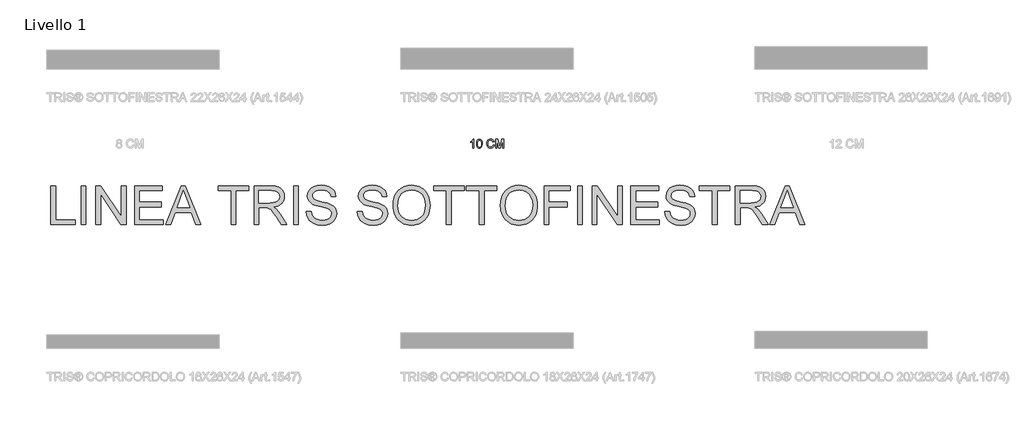
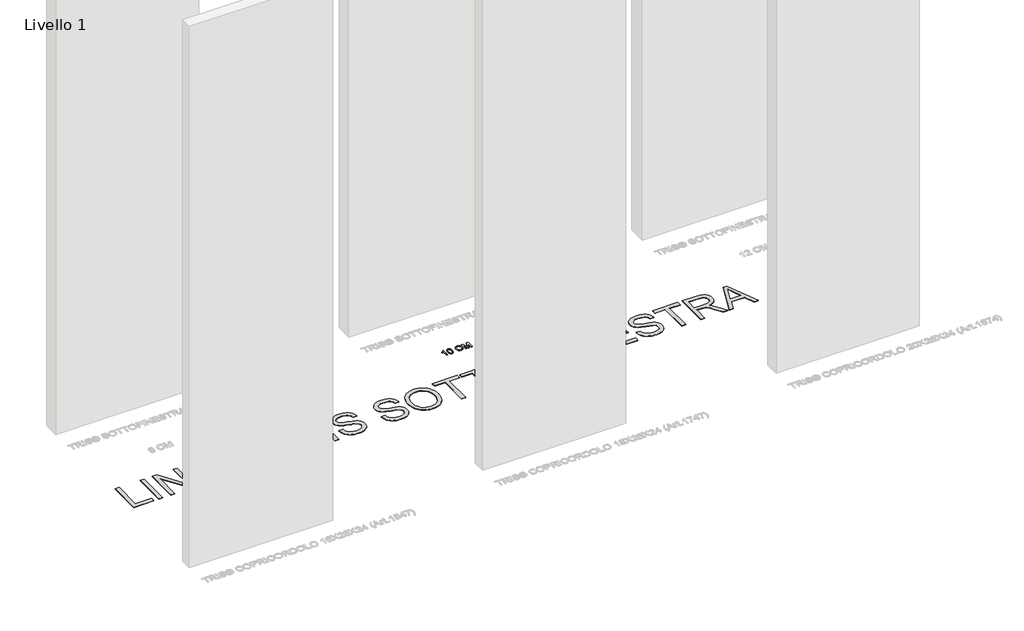
# One storey, part 6 of 16: 2 proxies.
"""IFC4 building model written with IfcOpenShell, lengths in millimetres."""

from ifc_helpers import new_model, si_unit, origin, origin_with_axes, place, context, project, spatial, polyline, outline, extrude, element, save

model = new_model("IFC4")

# Units and contexts
model_context = context("Model", 3, world=origin())
ifc_project = project(units=[si_unit("LENGTHUNIT", "METRE", prefix="MILLI")], contexts=[model_context])

# Site, building, storey
site = spatial("IfcSite", under=ifc_project)
building = spatial("IfcBuilding", under=site)
storey = spatial("IfcBuildingStorey", under=building, Name="Livello 1", Elevation=0.0)

# Proxies
placement = place(None, origin())
element("IfcBuildingElementProxy", 1, Name="100", ObjectType="100", at=placement, inside=storey, context=model_context, shape_type="SweptSolid", body=[
    extrude(outline(polyline([(-661.8210443, 920.1409688), (-674.3780831, 920.1409688), (-674.3780831, 998.4262574), (-686.2729343, 989.9527088), (-699.4921606, 983.6128757), (-699.4921606, 995.4832014), (-681.0857981, 1007.2308998), (-669.9144482, 1020.5972789), (-661.8210443, 1020.5972789), (-661.8210443, 920.1409688)])), origin_with_axes(), (0.0, 0.0, 1.0), 5.0),
    extrude(outline(polyline([(-631.9980772, 969.5597835), (-628.3069945, 998.4630456), (-617.3441111, 1015.1281), (-599.0358505, 1020.5972789), (-584.3696216, 1017.3599174), (-574.240604, 1008.0279774), (-568.3544921, 993.1655448), (-566.0736237, 969.5597835), (-569.7279182, 940.7791487), (-580.6540134, 924.0773061), (-588.8853731, 919.9478308), (-599.0358505, 918.571339), (-612.0833986, 920.9625719), (-621.991687, 928.1362708), (-629.4964797, 945.1262876), (-631.9980772, 969.5597835)]), holes=[polyline([(-619.4410385, 969.584309), (-617.9695105, 949.8321115), (-613.5549265, 938.4001785), (-606.9821016, 932.9463279), (-599.0358505, 931.1283777), (-591.0895994, 932.9524593), (-584.5167744, 938.424704), (-580.1021904, 949.8627683), (-578.6306625, 969.584309), (-580.0531395, 988.8919823), (-584.3205707, 1000.4128201), (-590.8811329, 1006.1333852), (-599.1830033, 1008.0402402), (-607.0434152, 1006.3602457), (-613.3587228, 1001.3202624), (-617.9204595, 989.0820547), (-619.4410385, 969.584309)])]), origin_with_axes(), (0.0, 0.0, 1.0), 5.0),
    extrude(outline(polyline([(-440.503236, 955.8500478), (-427.9461972, 952.6126862), (-433.7403387, 937.9801799), (-442.8331553, 927.2901422), (-454.7770574, 920.7510398), (-469.1244552, 918.571339), (-483.6895166, 920.2206766), (-495.2563396, 925.1686894), (-504.1222957, 933.2436992), (-510.5847561, 944.2740277), (-515.8454686, 971.1294133), (-514.3586122, 985.7772481), (-509.898043, 998.4262574), (-502.696753, 1008.6748366), (-492.987734, 1016.1213813), (-481.4730275, 1020.6555269), (-468.8546751, 1022.1669088), (-455.0866914, 1020.2110029), (-443.7038094, 1014.343285), (-435.0616482, 1004.925506), (-429.5158271, 992.3194163), (-442.0728659, 989.3273094), (-452.3735617, 1004.7660904), (-469.3451844, 1009.60987), (-488.990083, 1004.2387929), (-500.0878565, 989.8178187), (-503.2884299, 971.1539388), (-499.4992453, 949.5224775), (-487.702496, 935.7023772), (-470.375254, 931.1283777), (-459.8936828, 932.6857448), (-451.1595511, 937.3578462), (-444.5652664, 945.0956308), (-440.503236, 955.8500478)])), origin_with_axes(), (0.0, 0.0, 1.0), 5.0),
    extrude(outline(polyline([(-410.6802689, 920.1409688), (-410.6802689, 1020.5972789), (-389.0733331, 1020.5972789), (-368.5209923, 949.7922576), (-364.3761885, 935.0034014), (-359.8880281, 951.0185309), (-339.6790439, 1020.5972789), (-318.072108, 1020.5972789), (-318.072108, 920.1409688), (-330.6291468, 920.1409688), (-330.6291468, 1008.0402402), (-355.8658516, 920.1409688), (-372.8865253, 920.1409688), (-398.1232302, 1008.0402402), (-398.1232302, 920.1409688), (-410.6802689, 920.1409688)])), origin_with_axes(), (0.0, 0.0, 1.0), 5.0),
])
element("IfcBuildingElementProxy", 2, Name="450mm", ObjectType="450mm", at=placement, inside=storey, context=model_context, shape_type="SweptSolid", body=[
    extrude(outline(polyline([(-5561.6557455, 31.1409688), (-5561.6557455, 480.7971116), (-5505.4487277, 480.7971116), (-5505.4487277, 87.3479867), (-5280.6206563, 87.3479867), (-5280.6206563, 31.1409688), (-5561.6557455, 31.1409688)])), origin_with_axes(), (0.0, 0.0, 1.0), 5.0),
    extrude(outline(polyline([(-5210.361884, 31.1409688), (-5210.361884, 480.7971116), (-5154.1548661, 480.7971116), (-5154.1548661, 31.1409688), (-5210.361884, 31.1409688)])), origin_with_axes(), (0.0, 0.0, 1.0), 5.0),
    extrude(outline(polyline([(-5041.7408304, 31.1409688), (-5041.7408304, 480.7971116), (-4981.5817566, 480.7971116), (-4746.6539867, 124.5631801), (-4746.6539867, 480.7971116), (-4690.4469688, 480.7971116), (-4690.4469688, 31.1409688), (-4750.6060426, 31.1409688), (-4985.5338125, 387.4846796), (-4985.5338125, 31.1409688), (-5041.7408304, 31.1409688)])), origin_with_axes(), (0.0, 0.0, 1.0), 5.0),
    extrude(outline(polyline([(-4592.0846876, 31.1409688), (-4592.0846876, 480.7971116), (-4268.8943349, 480.7971116), (-4268.8943349, 424.5900938), (-4535.8776697, 424.5900938), (-4535.8776697, 291.0984264), (-4282.9460894, 291.0984264), (-4282.9460894, 234.8914085), (-4535.8776697, 234.8914085), (-4535.8776697, 87.3479867), (-4261.8684577, 87.3479867), (-4261.8684577, 31.1409688), (-4592.0846876, 31.1409688)])), origin_with_axes(), (0.0, 0.0, 1.0), 5.0),
    extrude(outline(polyline([(-4229.9226722, 31.1409688), (-4050.4334648, 480.7971116), (-4002.5696761, 480.7971116), (-3823.0804687, 31.1409688), (-3882.4710872, 31.1409688), (-3933.9575938, 171.6585134), (-4119.1553264, 171.6585134), (-4170.5320537, 31.1409688), (-4229.9226722, 31.1409688)]), holes=[polyline([(-4098.5168121, 227.8655313), (-3954.4863288, 227.8655313), (-3994.9949022, 338.4133183), (-4026.5015704, 424.5900938), (-4054.4953, 348.0738995), (-4098.5168121, 227.8655313)])]), origin_with_axes(), (0.0, 0.0, 1.0), 5.0),
    extrude(outline(polyline([(-3474.9702078, 31.1409688), (-3474.9702078, 424.5900938), (-3622.5136296, 424.5900938), (-3622.5136296, 480.7971116), (-3271.2197681, 480.7971116), (-3271.2197681, 424.5900938), (-3418.7631899, 424.5900938), (-3418.7631899, 31.1409688), (-3474.9702078, 31.1409688)])), origin_with_axes(), (0.0, 0.0, 1.0), 5.0),
    extrude(outline(polyline([(-3207.986873, 31.1409688), (-3207.986873, 480.7971116), (-3014.2263524, 480.7971116), (-2962.149782, 477.7644576), (-2924.2621901, 468.6664955), (-2896.5703537, 451.8702577), (-2875.0810495, 425.7427767), (-2861.2900209, 393.3441515), (-2856.6930114, 357.7344807), (-2858.5969967, 334.6396538), (-2864.3089525, 313.4385204), (-2873.828879, 294.1310804), (-2887.156776, 276.7173339), (-2904.4641737, 261.7530387), (-2925.9226025, 249.7939528), (-2951.5320622, 240.8400761), (-2981.2925529, 234.8914085), (-2949.3467674, 210.8497349), (-2903.7883447, 152.996027), (-2828.8090611, 31.1409688), (-2894.1277635, 31.1409688), (-2952.6401473, 124.3436214), (-2994.9051901, 186.0396059), (-3010.6173569, 204.0296939), (-3024.6004993, 215.1860185), (-3051.3317666, 225.8895033), (-3083.9362281, 227.8655313), (-3151.7798551, 227.8655313), (-3151.7798551, 31.1409688), (-3207.986873, 31.1409688)]), holes=[polyline([(-3151.7798551, 284.0725491), (-3025.9727409, 284.0725491), (-2989.8416184, 286.0622995), (-2961.8067215, 292.0315507), (-2940.701645, 302.3782527), (-2925.3599834, 317.5003557), (-2916.0150178, 335.7923368), (-2912.9000292, 355.6486734), (-2914.3854808, 370.0229047), (-2918.8418356, 383.0660615), (-2936.6672546, 405.159152), (-2950.2764611, 413.660189), (-2967.3368554, 419.7323583), (-3011.8112071, 424.5900938), (-3151.7798551, 424.5900938), (-3151.7798551, 284.0725491)])]), origin_with_axes(), (0.0, 0.0, 1.0), 5.0),
    extrude(outline(polyline([(-2751.3048529, 31.1409688), (-2751.3048529, 480.7971116), (-2695.0978351, 480.7971116), (-2695.0978351, 31.1409688), (-2751.3048529, 31.1409688)])), origin_with_axes(), (0.0, 0.0, 1.0), 5.0),
    extrude(outline(polyline([(-2603.7614311, 185.7102679), (-2547.5544132, 185.7102679), (-2541.1048775, 154.5192153), (-2529.4408235, 129.4483604), (-2511.2448992, 109.5508565), (-2485.1997528, 93.8798569), (-2453.3637466, 83.7115463), (-2417.7952431, 80.3221094), (-2386.4806887, 82.8882013), (-2359.0633006, 90.5864769), (-2336.8467083, 102.7719828), (-2321.1345415, 118.7997652), (-2311.7895759, 137.2015257), (-2308.6745873, 156.5089656), (-2311.0073981, 175.3223986), (-2318.0058305, 191.5834621), (-2332.222254, 205.4568252), (-2356.209038, 217.1071568), (-2438.0495298, 238.5690161), (-2491.7727903, 252.7717172), (-2526.1474435, 266.2882974), (-2554.1274507, 285.1977873), (-2573.9563425, 308.1142228), (-2585.7713431, 334.5435969), (-2589.7096766, 363.9919026), (-2584.8382188, 396.9119797), (-2570.2238452, 427.6090254), (-2546.2507836, 453.626727), (-2513.3032617, 472.5087721), (-2473.7552574, 483.9944347), (-2429.9807489, 487.8229888), (-2382.5560776, 483.8160432), (-2341.0594902, 471.7952064), (-2306.9730077, 452.0074819), (-2281.7786511, 424.6998731), (-2265.8332031, 391.5739597), (-2259.4934467, 354.3313214), (-2315.7004646, 354.3313214), (-2319.4604067, 372.2665198), (-2326.0197218, 387.8689073), (-2335.3784098, 401.138484), (-2347.5364708, 412.0752499), (-2362.7203246, 420.6243154), (-2381.1563911, 426.7307907), (-2427.7851623, 431.615971), (-2475.5117268, 426.7856804), (-2493.7556794, 420.7478172), (-2508.2534124, 412.2948086), (-2527.1903472, 390.9701734), (-2531.9245809, 378.8052512), (-2533.5026587, 365.6385926), (-2529.029151, 344.0395091), (-2515.6086277, 326.6669299), (-2483.8824008, 311.1331544), (-2423.8331063, 295.270041), (-2361.8626736, 280.2028277), (-2324.3730318, 267.0567527), (-2292.3311893, 246.6652418), (-2269.9773729, 221.49833), (-2256.8450203, 191.8304656), (-2252.4675695, 157.936097), (-2257.5036963, 123.2869954), (-2272.6120769, 90.6962563), (-2297.1752023, 62.647637), (-2330.575564, 41.624895), (-2370.741077, 28.4925424), (-2415.5996565, 24.1150916), (-2470.6677137, 28.8356028), (-2515.9928553, 42.9971366), (-2535.1321957, 53.6320094), (-2552.0965331, 66.6545826), (-2566.8858674, 82.0648563), (-2579.5001987, 99.8628305), (-2597.0923367, 140.3165142), (-2603.7614311, 185.7102679)])), origin_with_axes(), (0.0, 0.0, 1.0), 5.0),
    extrude(outline(polyline([(-2013.5877436, 185.7102679), (-1957.3807258, 185.7102679), (-1950.93119, 154.5192153), (-1939.267136, 129.4483604), (-1921.0712118, 109.5508565), (-1895.0260653, 93.8798569), (-1863.1900591, 83.7115463), (-1827.6215556, 80.3221094), (-1796.3070013, 82.8882013), (-1768.8896132, 90.5864769), (-1746.6730209, 102.7719828), (-1730.960854, 118.7997652), (-1721.6158884, 137.2015257), (-1718.5008999, 156.5089656), (-1720.8337107, 175.3223986), (-1727.8321431, 191.5834621), (-1742.0485665, 205.4568252), (-1766.0353505, 217.1071568), (-1847.8758423, 238.5690161), (-1901.5991028, 252.7717172), (-1935.9737561, 266.2882974), (-1963.9537632, 285.1977873), (-1983.782655, 308.1142228), (-1995.5976556, 334.5435969), (-1999.5359891, 363.9919026), (-1994.6645313, 396.9119797), (-1980.0501578, 427.6090254), (-1956.0770962, 453.626727), (-1923.1295743, 472.5087721), (-1883.58157, 483.9944347), (-1839.8070615, 487.8229888), (-1792.3823902, 483.8160432), (-1750.8858028, 471.7952064), (-1716.7993202, 452.0074819), (-1691.6049636, 424.6998731), (-1675.6595157, 391.5739597), (-1669.3197593, 354.3313214), (-1725.5267771, 354.3313214), (-1729.2867192, 372.2665198), (-1735.8460343, 387.8689073), (-1745.2047223, 401.138484), (-1757.3627833, 412.0752499), (-1772.5466371, 420.6243154), (-1790.9827037, 426.7307907), (-1837.6114748, 431.615971), (-1885.3380393, 426.7856804), (-1903.581992, 420.7478172), (-1918.079725, 412.2948086), (-1937.0166597, 390.9701734), (-1941.7508934, 378.8052512), (-1943.3289713, 365.6385926), (-1938.8554635, 344.0395091), (-1925.4349402, 326.6669299), (-1893.7087133, 311.1331544), (-1833.6594189, 295.270041), (-1771.6889861, 280.2028277), (-1734.1993443, 267.0567527), (-1702.1575019, 246.6652418), (-1679.8036854, 221.49833), (-1666.6713329, 191.8304656), (-1662.293882, 157.936097), (-1667.3300089, 123.2869954), (-1682.4383894, 90.6962563), (-1707.0015149, 62.647637), (-1740.4018766, 41.624895), (-1780.5673896, 28.4925424), (-1825.425969, 24.1150916), (-1880.4940263, 28.8356028), (-1925.8191679, 42.9971366), (-1944.9585083, 53.6320094), (-1961.9228456, 66.6545826), (-1976.71218, 82.0648563), (-1989.3265113, 99.8628305), (-2006.9186492, 140.3165142), (-2013.5877436, 185.7102679)])), origin_with_axes(), (0.0, 0.0, 1.0), 5.0),
    extrude(outline(polyline([(-1599.060987, 250.0409563), (-1595.3147673, 302.783064), (-1584.0761082, 349.473586), (-1565.3450097, 390.1125224), (-1539.1214718, 424.6998731), (-1506.9767112, 452.3162362), (-1470.4819446, 472.0422099), (-1429.637172, 483.8777941), (-1384.4423934, 487.8229888), (-1354.1913263, 485.9704626), (-1325.4634474, 480.412884), (-1298.2587568, 471.1502528), (-1272.5772544, 458.1825693), (-1249.139367, 441.9009221), (-1228.6655217, 422.6964003), (-1211.1557182, 400.5690037), (-1196.6099568, 375.5187325), (-1185.1791839, 348.1150668), (-1177.0143461, 318.927487), (-1172.1154434, 287.955993), (-1170.4824758, 255.2005849), (-1172.2012085, 222.0129207), (-1177.3574065, 190.622893), (-1185.9510698, 161.0305019), (-1197.9821984, 133.2357473), (-1213.1660523, 107.9727786), (-1231.2178911, 85.975745), (-1252.137715, 67.2446465), (-1275.925524, 51.7794832), (-1301.644763, 39.6763118), (-1328.3588773, 31.0311895), (-1356.0678667, 25.844116), (-1384.7717314, 24.1150916), (-1415.5511115, 26.0259381), (-1444.6563569, 31.7584775), (-1472.0874674, 41.31271), (-1497.8444431, 54.6886355), (-1521.2548856, 71.3682327), (-1541.6463965, 90.8334804), (-1559.0189757, 113.0843787), (-1573.3726233, 138.1209276), (-1584.6112824, 164.93796), (-1592.638896, 192.5303089), (-1597.4554642, 220.8979743), (-1599.060987, 250.0409563)]), holes=[polyline([(-1542.8539691, 249.4920596), (-1540.0443043, 212.2288377), (-1531.61531, 179.1509528), (-1517.5669862, 150.2584049), (-1497.8993328, 125.5511941), (-1473.9914527, 105.7634696), (-1447.2224487, 91.6293806), (-1417.592321, 83.1489272), (-1385.1010694, 80.3221094), (-1352.0540599, 83.176372), (-1322.0740105, 91.7391599), (-1295.1609213, 106.010473), (-1271.314792, 125.9903114), (-1251.791224, 151.2189741), (-1237.8458183, 181.2367601), (-1229.4785748, 216.0436695), (-1226.6894937, 255.6397022), (-1231.4648946, 305.3971843), (-1245.7910974, 348.4032375), (-1269.2975968, 383.5737909), (-1301.6138876, 409.8247736), (-1340.5992728, 426.1681717), (-1384.1130554, 431.615971), (-1415.4756382, 428.9915588), (-1444.5740224, 421.1183224), (-1471.4082078, 407.9962617), (-1495.9781944, 389.6253766), (-1516.4863459, 365.1205714), (-1531.1350254, 333.5967502), (-1539.9242332, 295.0539129), (-1542.8539691, 249.4920596)])]), origin_with_axes(), (0.0, 0.0, 1.0), 5.0),
    extrude(outline(polyline([(-980.7837906, 31.1409688), (-980.7837906, 424.5900938), (-1128.3272124, 424.5900938), (-1128.3272124, 480.7971116), (-777.0333509, 480.7971116), (-777.0333509, 424.5900938), (-924.5767727, 424.5900938), (-924.5767727, 31.1409688), (-980.7837906, 31.1409688)])), origin_with_axes(), (0.0, 0.0, 1.0), 5.0),
    extrude(outline(polyline([(-601.3864201, 31.1409688), (-601.3864201, 424.5900938), (-748.9298419, 424.5900938), (-748.9298419, 480.7971116), (-397.6359804, 480.7971116), (-397.6359804, 424.5900938), (-545.1794022, 424.5900938), (-545.1794022, 31.1409688), (-601.3864201, 31.1409688)])), origin_with_axes(), (0.0, 0.0, 1.0), 5.0),
    extrude(outline(polyline([(-355.480717, 250.0409563), (-351.7344973, 302.783064), (-340.4958382, 349.473586), (-321.7647397, 390.1125224), (-295.5412018, 424.6998731), (-263.3964413, 452.3162362), (-226.9016747, 472.0422099), (-186.0569021, 483.8777941), (-140.8621234, 487.8229888), (-110.6110563, 485.9704626), (-81.8831774, 480.412884), (-54.6784868, 471.1502528), (-28.9969844, 458.1825693), (-5.559097, 441.9009221), (14.9147483, 422.6964003), (32.4245517, 400.5690037), (46.9703132, 375.5187325), (58.4010861, 348.1150668), (66.5659239, 318.927487), (71.4648266, 287.955993), (73.0977941, 255.2005849), (71.3790615, 222.0129207), (66.2228635, 190.622893), (57.6292002, 161.0305019), (45.5980715, 133.2357473), (30.4142177, 107.9727786), (12.3623789, 85.975745), (-8.557445, 67.2446465), (-32.345254, 51.7794832), (-58.0644931, 39.6763118), (-84.7786073, 31.0311895), (-112.4875968, 25.844116), (-141.1914614, 24.1150916), (-171.9708415, 26.0259381), (-201.0760869, 31.7584775), (-228.5071974, 41.31271), (-254.2641731, 54.6886355), (-277.6746156, 71.3682327), (-298.0661265, 90.8334804), (-315.4387057, 113.0843787), (-329.7923533, 138.1209276), (-341.0310124, 164.93796), (-349.0586261, 192.5303089), (-353.8751942, 220.8979743), (-355.480717, 250.0409563)]), holes=[polyline([(-299.2736991, 249.4920596), (-296.4640343, 212.2288377), (-288.03504, 179.1509528), (-273.9867162, 150.2584049), (-254.3190628, 125.5511941), (-230.4111827, 105.7634696), (-203.6421788, 91.6293806), (-174.012051, 83.1489272), (-141.5207994, 80.3221094), (-108.4737899, 83.176372), (-78.4937406, 91.7391599), (-51.5806513, 106.010473), (-27.7345221, 125.9903114), (-8.210954, 151.2189741), (5.7344517, 181.2367601), (14.1016952, 216.0436695), (16.8907763, 255.6397022), (12.1153754, 305.3971843), (-2.2108274, 348.4032375), (-25.7173268, 383.5737909), (-58.0336176, 409.8247736), (-97.0190028, 426.1681717), (-140.5327854, 431.615971), (-171.8953683, 428.9915588), (-200.9937524, 421.1183224), (-227.8279378, 407.9962617), (-252.3979245, 389.6253766), (-272.9060759, 365.1205714), (-287.5547555, 333.5967502), (-296.3439632, 295.0539129), (-299.2736991, 249.4920596)])]), origin_with_axes(), (0.0, 0.0, 1.0), 5.0),
    extrude(outline(polyline([(150.3824437, 31.1409688), (150.3824437, 480.7971116), (452.4951647, 480.7971116), (452.4951647, 424.5900938), (206.5894615, 424.5900938), (206.5894615, 291.0984264), (417.3657785, 291.0984264), (417.3657785, 234.8914085), (206.5894615, 234.8914085), (206.5894615, 31.1409688), (150.3824437, 31.1409688)])), origin_with_axes(), (0.0, 0.0, 1.0), 5.0),
    extrude(outline(polyline([(536.8056914, 31.1409688), (536.8056914, 480.7971116), (593.0127093, 480.7971116), (593.0127093, 31.1409688), (536.8056914, 31.1409688)])), origin_with_axes(), (0.0, 0.0, 1.0), 5.0),
    extrude(outline(polyline([(705.426745, 31.1409688), (705.426745, 480.7971116), (765.5858188, 480.7971116), (1000.5135887, 124.5631801), (1000.5135887, 480.7971116), (1056.7206066, 480.7971116), (1056.7206066, 31.1409688), (996.5615328, 31.1409688), (761.6337628, 387.4846796), (761.6337628, 31.1409688), (705.426745, 31.1409688)])), origin_with_axes(), (0.0, 0.0, 1.0), 5.0),
    extrude(outline(polyline([(1155.0828878, 31.1409688), (1155.0828878, 480.7971116), (1478.2732405, 480.7971116), (1478.2732405, 424.5900938), (1211.2899057, 424.5900938), (1211.2899057, 291.0984264), (1464.221486, 291.0984264), (1464.221486, 234.8914085), (1211.2899057, 234.8914085), (1211.2899057, 87.3479867), (1485.2991177, 87.3479867), (1485.2991177, 31.1409688), (1155.0828878, 31.1409688)])), origin_with_axes(), (0.0, 0.0, 1.0), 5.0),
    extrude(outline(polyline([(1548.5320128, 185.7102679), (1604.7390306, 185.7102679), (1611.1885664, 154.5192153), (1622.8526204, 129.4483604), (1641.0485446, 109.5508565), (1667.0936911, 93.8798569), (1698.9296973, 83.7115463), (1734.4982007, 80.3221094), (1765.8127551, 82.8882013), (1793.2301432, 90.5864769), (1815.4467355, 102.7719828), (1831.1589023, 118.7997652), (1840.503868, 137.2015257), (1843.6188565, 156.5089656), (1841.2860457, 175.3223986), (1834.2876133, 191.5834621), (1820.0711898, 205.4568252), (1796.0844058, 217.1071568), (1714.243914, 238.5690161), (1660.5206536, 252.7717172), (1626.1460003, 266.2882974), (1598.1659931, 285.1977873), (1578.3371013, 308.1142228), (1566.5221008, 334.5435969), (1562.5837672, 363.9919026), (1567.4552251, 396.9119797), (1582.0695986, 427.6090254), (1606.0426602, 453.626727), (1638.9901821, 472.5087721), (1678.5381864, 483.9944347), (1722.3126949, 487.8229888), (1769.7373662, 483.8160432), (1811.2339536, 471.7952064), (1845.3204361, 452.0074819), (1870.5147928, 424.6998731), (1886.4602407, 391.5739597), (1892.7999971, 354.3313214), (1836.5929793, 354.3313214), (1832.8330371, 372.2665198), (1826.2737221, 387.8689073), (1816.915034, 401.138484), (1804.7569731, 412.0752499), (1789.5731192, 420.6243154), (1771.1370527, 426.7307907), (1724.5082816, 431.615971), (1676.7817171, 426.7856804), (1658.5377644, 420.7478172), (1644.0400314, 412.2948086), (1625.1030967, 390.9701734), (1620.368863, 378.8052512), (1618.7907851, 365.6385926), (1623.2642929, 344.0395091), (1636.6848162, 326.6669299), (1668.411043, 311.1331544), (1728.4603375, 295.270041), (1790.4307703, 280.2028277), (1827.9204121, 267.0567527), (1859.9622545, 246.6652418), (1882.3160709, 221.49833), (1895.4484235, 191.8304656), (1899.8258743, 157.936097), (1894.7897475, 123.2869954), (1879.681367, 90.6962563), (1855.1182415, 62.647637), (1821.7178798, 41.624895), (1781.5523668, 28.4925424), (1736.6937874, 24.1150916), (1681.6257301, 28.8356028), (1636.3005885, 42.9971366), (1617.1612481, 53.6320094), (1600.1969108, 66.6545826), (1585.4075764, 82.0648563), (1572.7932451, 99.8628305), (1555.2011072, 140.3165142), (1548.5320128, 185.7102679)])), origin_with_axes(), (0.0, 0.0, 1.0), 5.0),
    extrude(outline(polyline([(2096.5504368, 31.1409688), (2096.5504368, 424.5900938), (1949.007015, 424.5900938), (1949.007015, 480.7971116), (2300.3008765, 480.7971116), (2300.3008765, 424.5900938), (2152.7574547, 424.5900938), (2152.7574547, 31.1409688), (2096.5504368, 31.1409688)])), origin_with_axes(), (0.0, 0.0, 1.0), 5.0),
    extrude(outline(polyline([(2363.5337716, 31.1409688), (2363.5337716, 480.7971116), (2557.2942922, 480.7971116), (2609.3708626, 477.7644576), (2647.2584545, 468.6664955), (2674.9502909, 451.8702577), (2696.4395951, 425.7427767), (2710.2306237, 393.3441515), (2714.8276332, 357.7344807), (2712.9236479, 334.6396538), (2707.2116921, 313.4385204), (2697.6917656, 294.1310804), (2684.3638686, 276.7173339), (2667.0564709, 261.7530387), (2645.5980421, 249.7939528), (2619.9885824, 240.8400761), (2590.2280917, 234.8914085), (2622.1738772, 210.8497349), (2667.7322999, 152.996027), (2742.7115835, 31.1409688), (2677.3928811, 31.1409688), (2618.8804973, 124.3436214), (2576.6154545, 186.0396059), (2560.9032877, 204.0296939), (2546.9201453, 215.1860185), (2520.188878, 225.8895033), (2487.5844165, 227.8655313), (2419.7407895, 227.8655313), (2419.7407895, 31.1409688), (2363.5337716, 31.1409688)]), holes=[polyline([(2419.7407895, 284.0725491), (2545.5479037, 284.0725491), (2581.6790262, 286.0622995), (2609.7139231, 292.0315507), (2630.8189996, 302.3782527), (2646.1606612, 317.5003557), (2655.5056268, 335.7923368), (2658.6206153, 355.6486734), (2657.1351638, 370.0229047), (2652.678809, 383.0660615), (2634.85339, 405.159152), (2621.2441835, 413.660189), (2604.1837892, 419.7323583), (2559.7094374, 424.5900938), (2419.7407895, 424.5900938), (2419.7407895, 284.0725491)])]), origin_with_axes(), (0.0, 0.0, 1.0), 5.0),
    extrude(outline(polyline([(2760.8251732, 31.1409688), (2940.3143806, 480.7971116), (2988.1781692, 480.7971116), (3167.6673766, 31.1409688), (3108.2767582, 31.1409688), (3056.7902516, 171.6585134), (2871.5925189, 171.6585134), (2820.2157917, 31.1409688), (2760.8251732, 31.1409688)]), holes=[polyline([(2892.2310333, 227.8655313), (3036.2615165, 227.8655313), (2995.7529431, 338.4133183), (2964.2462749, 424.5900938), (2936.2525453, 348.0738995), (2892.2310333, 227.8655313)])]), origin_with_axes(), (0.0, 0.0, 1.0), 5.0),
])

save(model, "model.ifc")
